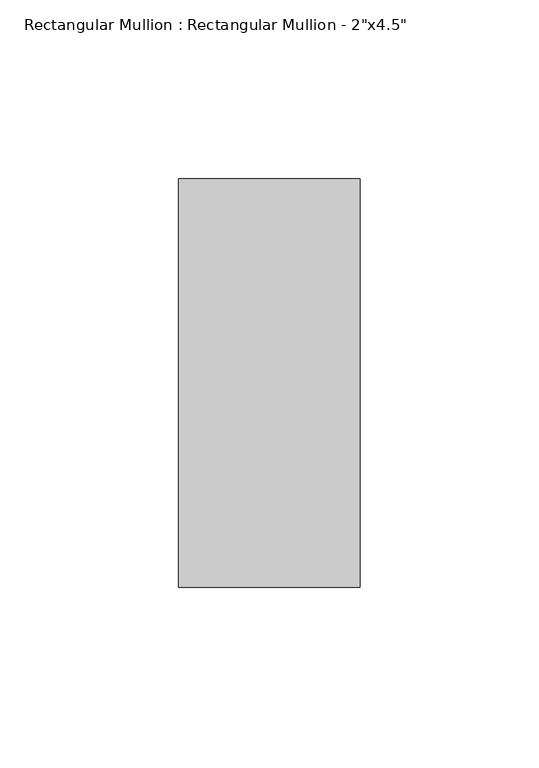
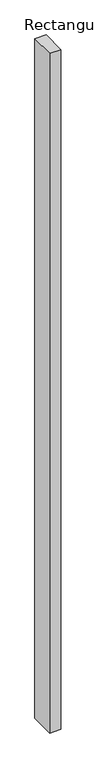
"""IFC4 building model written with IfcOpenShell, lengths in millimetres: member geometry."""

from ifc_helpers import new_model, si_unit, frame, origin, place, context, project, spatial, polyline, outline, extrude, source, transform, mapped, element, save


def member_992c8477(model_context):
    return source(origin(), model_context, "Body", "SweptSolid", [
        extrude(outline(polyline([(25.4, 57.15), (25.4, -57.15), (-25.4, -57.15), (-25.4, 57.15), (25.4, 57.15)])), frame((0.0, 0.0, -3219.45), z_axis=(0.0, 0.0, 1.0), x_axis=(1.0, 0.0, 0.0)), (0.0, 0.0, 1.0), 3219.45),
    ])


if __name__ == "__main__":
    model = new_model("IFC4")
    model_context = context("Model", 3, world=origin())
    ifc_project = project(units=[si_unit("LENGTHUNIT", "METRE", prefix="MILLI")], contexts=[model_context])
    site = spatial("IfcSite", under=ifc_project)
    building = spatial("IfcBuilding", under=site)
    placement = place(None, origin())
    member_shape = member_992c8477(model_context)
    element("IfcMember", 1, ObjectType="Rectangular Mullion : Rectangular Mullion - 2\"x4.5\"", at=placement, inside=building, context=model_context, shape_type="MappedRepresentation", body=[
        mapped(member_shape, transform((0.0, 0.0, 0.0), x_axis=(1.0, 0.0, 0.0), y_axis=(0.0, 1.0, 0.0), z_axis=(0.0, 0.0, 1.0))),
    ])
    save(model, "model.ifc")
